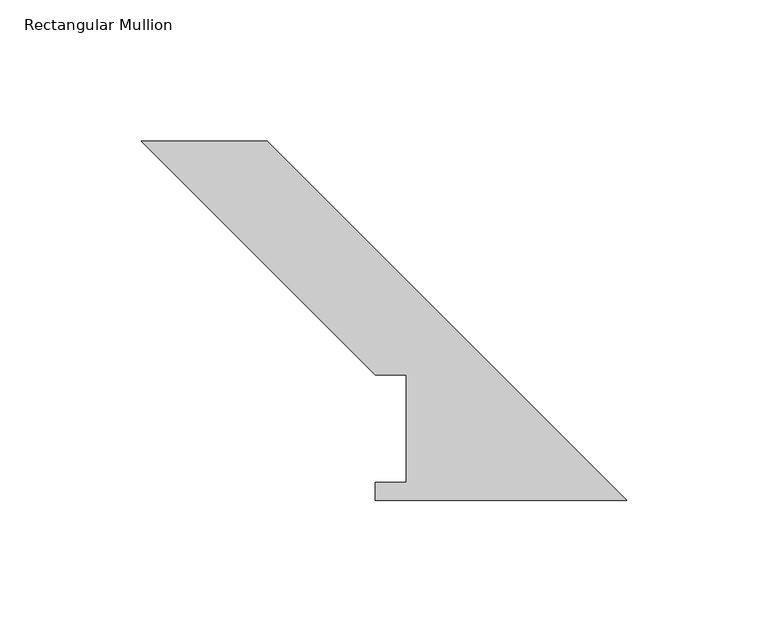
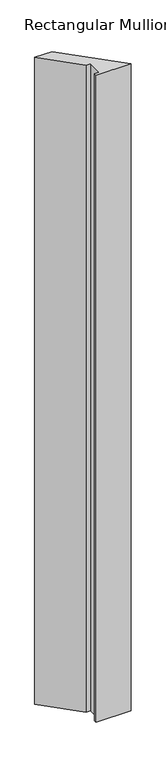
"""IFC4 building model written with IfcOpenShell, lengths in millimetres: member geometry, Rectangular Mullion."""

from ifc_helpers import new_model, si_unit, frame, origin, place, context, project, spatial, polyline, outline, extrude, source, transform, mapped, element, save


def rectangular_mullion_2d6cb8b2(model_context):
    return source(origin(), model_context, "Body", "SweptSolid", [
        extrude(outline(polyline([(-171.45, 127.0), (-127.0, 127.0), (0.0, 0.0), (-88.9, 0.0), (-88.9, 6.35), (-77.7875, 6.35), (-77.7875, 44.45), (-88.9, 44.45), (-171.45, 127.0)])), frame((0.0, 0.0, -1733.55), z_axis=(0.0, 0.0, 1.0), x_axis=(1.0, 0.0, 0.0)), (0.0, 0.0, 1.0), 1733.55),
    ])


if __name__ == "__main__":
    model = new_model("IFC4")
    model_context = context("Model", 3, world=origin())
    ifc_project = project(units=[si_unit("LENGTHUNIT", "METRE", prefix="MILLI")], contexts=[model_context])
    site = spatial("IfcSite", under=ifc_project)
    building = spatial("IfcBuilding", under=site)
    placement = place(None, origin())
    rectangular_mullion_shape = rectangular_mullion_2d6cb8b2(model_context)
    element("IfcMember", 1, ObjectType="Rectangular Mullion", at=placement, inside=building, context=model_context, shape_type="MappedRepresentation", body=[
        mapped(rectangular_mullion_shape, transform((0.0, 0.0, 0.0), x_axis=(1.0, 0.0, 0.0), y_axis=(0.0, 1.0, 0.0), z_axis=(0.0, 0.0, 1.0))),
    ])
    save(model, "model.ifc")
